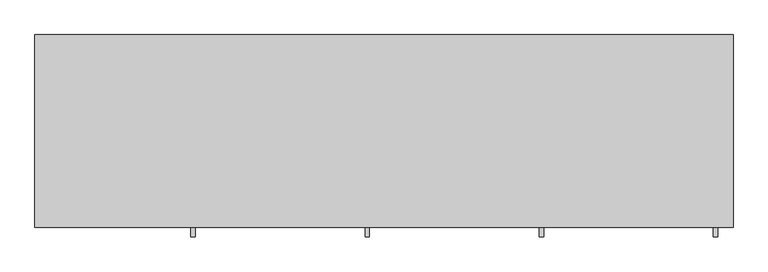
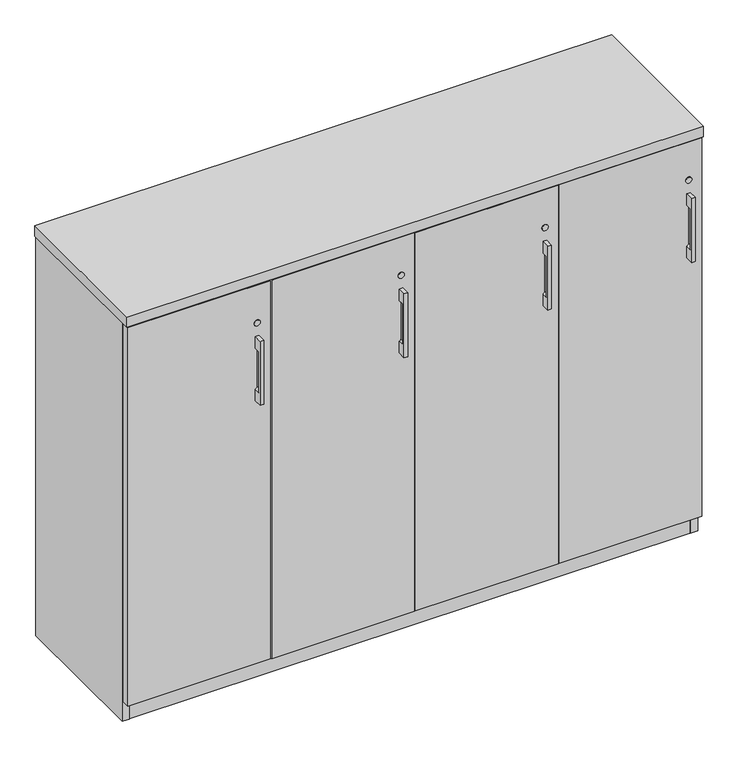
"""IFC4 building model written with IfcOpenShell, lengths in millimetres: furniture geometry."""

from ifc_helpers import new_model, si_unit, point, frame, frame_2d, origin, origin_with_axes, place, context, project, spatial, polyline, circle_curve, trimmed, segment, composite_curve, outline, extrude, source, transform, mapped, element, save
from ifc_brep_helpers import plane_surface, revolved_surface, advanced_brep


def furniture_4f5d98ee(model_context):
    return source(origin(), model_context, "Body", "SolidModel", [
        advanced_brep(
        [(338.9312421, -447.8115021, 970.9658), (338.9312421, -447.8115021, 793.1658), (348.4562421, -447.8115021, 793.1658), (348.4562421, -447.8115021, 970.9658), (338.9312421, -425.5865021, 970.9658), (348.4562421, -425.5865021, 970.9658), (348.4562421, -425.5865021, 793.1658), (338.9312421, -425.5865021, 793.1658), (338.9312421, -425.5865021, 825.1174389), (343.6937421, -425.5865021, 831.2658), (343.6937421, -425.5865021, 932.8658), (338.9312421, -425.5865021, 939.0141611), (338.9312421, -441.523499, 939.0141611), (338.9312421, -441.523499, 825.1174389), (343.6937421, -441.523499, 932.8658), (343.6937421, -441.523499, 831.2658)],
        [
            (0, 1),
            (1, 2),
            (2, 3),
            (3, 0),
            (4, 5),
            (5, 6),
            (6, 7),
            (7, 8),
            (8, 9, circle_curve(frame((337.3437421, -425.5865021, 831.2658), z_axis=(0.0, -1.0, 0.0), x_axis=(1.0, 0.0, 0.0)), 6.35)),
            (9, 10),
            (10, 11, circle_curve(frame((337.3437421, -425.5865021, 932.8658), z_axis=(0.0, -1.0, 0.0), x_axis=(1.0, 0.0, 0.0)), 6.35)),
            (11, 4),
            (0, 4),
            (11, 12),
            (12, 13),
            (13, 8),
            (7, 1),
            (6, 2),
            (5, 3),
            (14, 15),
            (15, 13, circle_curve(frame((337.3437421, -441.523499, 831.2658), z_axis=(0.0, 1.0, 0.0), x_axis=(1.0, 0.0, 0.0)), 6.35)),
            (12, 14, circle_curve(frame((337.3437421, -441.523499, 932.8658), z_axis=(0.0, 1.0, 0.0), x_axis=(1.0, 0.0, 0.0)), 6.35)),
            (14, 10),
            (9, 15),
        ],
        [
            plane_surface(frame((338.9312421, -447.8115021, 793.1658), z_axis=(0.0, -1.0, 0.0), x_axis=(0.0, 0.0, -1.0))),
            plane_surface(frame((338.9312421, -425.5865021, 793.1658), z_axis=(0.0, 1.0, 0.0), x_axis=(0.0, 0.0, 1.0))),
            plane_surface(frame((338.9312421, -447.8115021, 970.9658), z_axis=(-1.0, 0.0, 0.0), x_axis=(0.0, 1.0, 0.0))),
            plane_surface(frame((338.9312421, -447.8115021, 793.1658), z_axis=(0.0, 0.0, -1.0), x_axis=(0.0, 1.0, 0.0))),
            plane_surface(frame((348.4562421, -447.8115021, 793.1658), z_axis=(1.0, 0.0, 0.0), x_axis=(0.0, 1.0, 0.0))),
            plane_surface(frame((348.4562421, -447.8115021, 970.9658), z_axis=(0.0, 0.0, 1.0), x_axis=(0.0, 1.0, 0.0))),
            plane_surface(frame((324.6437421, -441.523499, 939.2158), z_axis=(0.0, 1.0, 0.0), x_axis=(-1.0, 0.0, 0.0))),
            plane_surface(frame((343.6937421, -441.523499, 831.2658), z_axis=(-1.0, 0.0, 0.0), x_axis=(0.0, 1.0, 0.0))),
            revolved_surface(polyline([(343.6937421, -441.523499, 831.2658), (343.6937421, -425.5865021, 831.2658)]), (337.3437421, -425.5865021, 831.2658), (0.0, -1.0, 0.0)),
            revolved_surface(polyline([(343.6937421, -441.523499, 932.8658), (343.6937421, -425.5865021, 932.8658)]), (337.3437421, -425.5865021, 932.8658), (0.0, -1.0, 0.0)),
        ],
        [
            (0, [[1, 2, 3, 4]]),
            (1, [[5, 6, 7, 8, 9, 10, 11, 12]]),
            (2, [[-1, 13, -12, 14, 15, 16, -8, 17]]),
            (3, [[-2, -17, -7, 18]]),
            (4, [[-3, -18, -6, 19]]),
            (5, [[-4, -19, -5, -13]]),
            (6, [[20, 21, -15, 22]]),
            (7, [[-20, 23, -10, 24]]),
            (8, [[-24, -9, -16, -21]]),
            (9, [[-23, -22, -14, -11]]),
        ],
    ),
        advanced_brep(
        [(1474.7875158, -447.8115021, 970.9658), (1474.7875158, -447.8115021, 793.1658), (1484.3125158, -447.8115021, 793.1658), (1484.3125158, -447.8115021, 970.9658), (1474.7875158, -425.5865021, 970.9658), (1484.3125158, -425.5865021, 970.9658), (1484.3125158, -425.5865021, 793.1658), (1474.7875158, -425.5865021, 793.1658), (1474.7875158, -425.5865021, 825.1174389), (1479.5500158, -425.5865021, 831.2658), (1479.5500158, -425.5865021, 932.8658), (1474.7875158, -425.5865021, 939.0141611), (1474.7875158, -441.523499, 939.0141611), (1474.7875158, -441.523499, 825.1174389), (1479.5500158, -441.523499, 932.8658), (1479.5500158, -441.523499, 831.2658)],
        [
            (0, 1),
            (1, 2),
            (2, 3),
            (3, 0),
            (4, 5),
            (5, 6),
            (6, 7),
            (7, 8),
            (8, 9, circle_curve(frame((1473.2000158, -425.5865021, 831.2658), z_axis=(0.0, -1.0, 0.0), x_axis=(1.0, 0.0, 0.0)), 6.35)),
            (9, 10),
            (10, 11, circle_curve(frame((1473.2000158, -425.5865021, 932.8658), z_axis=(0.0, -1.0, 0.0), x_axis=(1.0, 0.0, 0.0)), 6.35)),
            (11, 4),
            (0, 4),
            (11, 12),
            (12, 13),
            (13, 8),
            (7, 1),
            (6, 2),
            (5, 3),
            (14, 15),
            (15, 13, circle_curve(frame((1473.2000158, -441.523499, 831.2658), z_axis=(0.0, 1.0, 0.0), x_axis=(1.0, 0.0, 0.0)), 6.35)),
            (12, 14, circle_curve(frame((1473.2000158, -441.523499, 932.8658), z_axis=(0.0, 1.0, 0.0), x_axis=(1.0, 0.0, 0.0)), 6.35)),
            (14, 10),
            (9, 15),
        ],
        [
            plane_surface(frame((1474.7875158, -447.8115021, 793.1658), z_axis=(0.0, -1.0, 0.0), x_axis=(0.0, 0.0, -1.0))),
            plane_surface(frame((1474.7875158, -425.5865021, 793.1658), z_axis=(0.0, 1.0, 0.0), x_axis=(0.0, 0.0, 1.0))),
            plane_surface(frame((1474.7875158, -447.8115021, 970.9658), z_axis=(-1.0, 0.0, 0.0), x_axis=(0.0, 1.0, 0.0))),
            plane_surface(frame((1474.7875158, -447.8115021, 793.1658), z_axis=(0.0, 0.0, -1.0), x_axis=(0.0, 1.0, 0.0))),
            plane_surface(frame((1484.3125158, -447.8115021, 793.1658), z_axis=(1.0, 0.0, 0.0), x_axis=(0.0, 1.0, 0.0))),
            plane_surface(frame((1484.3125158, -447.8115021, 970.9658), z_axis=(0.0, 0.0, 1.0), x_axis=(0.0, 1.0, 0.0))),
            plane_surface(frame((1460.5000158, -441.523499, 939.2158), z_axis=(0.0, 1.0, 0.0), x_axis=(-1.0, 0.0, 0.0))),
            plane_surface(frame((1479.5500158, -441.523499, 831.2658), z_axis=(-1.0, 0.0, 0.0), x_axis=(0.0, 1.0, 0.0))),
            revolved_surface(polyline([(1479.5500158, -441.523499, 831.2658), (1479.5500158, -425.5865021, 831.2658)]), (1473.2000158, -425.5865021, 831.2658), (0.0, -1.0, 0.0)),
            revolved_surface(polyline([(1479.5500158, -441.523499, 932.8658), (1479.5500158, -425.5865021, 932.8658)]), (1473.2000158, -425.5865021, 932.8658), (0.0, -1.0, 0.0)),
        ],
        [
            (0, [[1, 2, 3, 4]]),
            (1, [[5, 6, 7, 8, 9, 10, 11, 12]]),
            (2, [[-1, 13, -12, 14, 15, 16, -8, 17]]),
            (3, [[-2, -17, -7, 18]]),
            (4, [[-3, -18, -6, 19]]),
            (5, [[-4, -19, -5, -13]]),
            (6, [[20, 21, -15, 22]]),
            (7, [[-20, 23, -10, 24]]),
            (8, [[-24, -9, -16, -21]]),
            (9, [[-23, -22, -14, -11]]),
        ],
    ),
        advanced_brep(
        [(1096.1687579, -447.8115021, 970.9658), (1096.1687579, -447.8115021, 793.1658), (1105.6937579, -447.8115021, 793.1658), (1105.6937579, -447.8115021, 970.9658), (1096.1687579, -425.5865021, 970.9658), (1105.6937579, -425.5865021, 970.9658), (1105.6937579, -425.5865021, 793.1658), (1096.1687579, -425.5865021, 793.1658), (1096.1687579, -425.5865021, 825.1174389), (1100.9312579, -425.5865021, 831.2658), (1100.9312579, -425.5865021, 932.8658), (1096.1687579, -425.5865021, 939.0141611), (1096.1687579, -441.523499, 939.0141611), (1096.1687579, -441.523499, 825.1174389), (1100.9312579, -441.523499, 932.8658), (1100.9312579, -441.523499, 831.2658)],
        [
            (0, 1),
            (1, 2),
            (2, 3),
            (3, 0),
            (4, 5),
            (5, 6),
            (6, 7),
            (7, 8),
            (8, 9, circle_curve(frame((1094.5812579, -425.5865021, 831.2658), z_axis=(0.0, -1.0, 0.0), x_axis=(1.0, 0.0, 0.0)), 6.35)),
            (9, 10),
            (10, 11, circle_curve(frame((1094.5812579, -425.5865021, 932.8658), z_axis=(0.0, -1.0, 0.0), x_axis=(1.0, 0.0, 0.0)), 6.35)),
            (11, 4),
            (0, 4),
            (11, 12),
            (12, 13),
            (13, 8),
            (7, 1),
            (6, 2),
            (5, 3),
            (14, 15),
            (15, 13, circle_curve(frame((1094.5812579, -441.523499, 831.2658), z_axis=(0.0, 1.0, 0.0), x_axis=(1.0, 0.0, 0.0)), 6.35)),
            (12, 14, circle_curve(frame((1094.5812579, -441.523499, 932.8658), z_axis=(0.0, 1.0, 0.0), x_axis=(1.0, 0.0, 0.0)), 6.35)),
            (14, 10),
            (9, 15),
        ],
        [
            plane_surface(frame((1096.1687579, -447.8115021, 793.1658), z_axis=(0.0, -1.0, 0.0), x_axis=(0.0, 0.0, -1.0))),
            plane_surface(frame((1096.1687579, -425.5865021, 793.1658), z_axis=(0.0, 1.0, 0.0), x_axis=(0.0, 0.0, 1.0))),
            plane_surface(frame((1096.1687579, -447.8115021, 970.9658), z_axis=(-1.0, 0.0, 0.0), x_axis=(0.0, 1.0, 0.0))),
            plane_surface(frame((1096.1687579, -447.8115021, 793.1658), z_axis=(0.0, 0.0, -1.0), x_axis=(0.0, 1.0, 0.0))),
            plane_surface(frame((1105.6937579, -447.8115021, 793.1658), z_axis=(1.0, 0.0, 0.0), x_axis=(0.0, 1.0, 0.0))),
            plane_surface(frame((1105.6937579, -447.8115021, 970.9658), z_axis=(0.0, 0.0, 1.0), x_axis=(0.0, 1.0, 0.0))),
            plane_surface(frame((1081.8812579, -441.523499, 939.2158), z_axis=(0.0, 1.0, 0.0), x_axis=(-1.0, 0.0, 0.0))),
            plane_surface(frame((1100.9312579, -441.523499, 831.2658), z_axis=(-1.0, 0.0, 0.0), x_axis=(0.0, 1.0, 0.0))),
            revolved_surface(polyline([(1100.9312579, -441.523499, 831.2658), (1100.9312579, -425.5865021, 831.2658)]), (1094.5812579, -425.5865021, 831.2658), (0.0, -1.0, 0.0)),
            revolved_surface(polyline([(1100.9312579, -441.523499, 932.8658), (1100.9312579, -425.5865021, 932.8658)]), (1094.5812579, -425.5865021, 932.8658), (0.0, -1.0, 0.0)),
        ],
        [
            (0, [[1, 2, 3, 4]]),
            (1, [[5, 6, 7, 8, 9, 10, 11, 12]]),
            (2, [[-1, 13, -12, 14, 15, 16, -8, 17]]),
            (3, [[-2, -17, -7, 18]]),
            (4, [[-3, -18, -6, 19]]),
            (5, [[-4, -19, -5, -13]]),
            (6, [[20, 21, -15, 22]]),
            (7, [[-20, 23, -10, 24]]),
            (8, [[-24, -9, -16, -21]]),
            (9, [[-23, -22, -14, -11]]),
        ],
    ),
        advanced_brep(
        [(717.55, -447.8115021, 970.9658), (717.55, -447.8115021, 793.1658), (727.075, -447.8115021, 793.1658), (727.075, -447.8115021, 970.9658), (717.55, -425.5865021, 970.9658), (727.075, -425.5865021, 970.9658), (727.075, -425.5865021, 793.1658), (717.55, -425.5865021, 793.1658), (717.55, -425.5865021, 825.1174389), (722.3125, -425.5865021, 831.2658), (722.3125, -425.5865021, 932.8658), (717.55, -425.5865021, 939.0141611), (717.55, -441.523499, 939.0141611), (717.55, -441.523499, 825.1174389), (722.3125, -441.523499, 932.8658), (722.3125, -441.523499, 831.2658)],
        [
            (0, 1),
            (1, 2),
            (2, 3),
            (3, 0),
            (4, 5),
            (5, 6),
            (6, 7),
            (7, 8),
            (8, 9, circle_curve(frame((715.9625, -425.5865021, 831.2658), z_axis=(0.0, -1.0, 0.0), x_axis=(1.0, 0.0, 0.0)), 6.35)),
            (9, 10),
            (10, 11, circle_curve(frame((715.9625, -425.5865021, 932.8658), z_axis=(0.0, -1.0, 0.0), x_axis=(1.0, 0.0, 0.0)), 6.35)),
            (11, 4),
            (0, 4),
            (11, 12),
            (12, 13),
            (13, 8),
            (7, 1),
            (6, 2),
            (5, 3),
            (14, 15),
            (15, 13, circle_curve(frame((715.9625, -441.523499, 831.2658), z_axis=(0.0, 1.0, 0.0), x_axis=(1.0, 0.0, 0.0)), 6.35)),
            (12, 14, circle_curve(frame((715.9625, -441.523499, 932.8658), z_axis=(0.0, 1.0, 0.0), x_axis=(1.0, 0.0, 0.0)), 6.35)),
            (14, 10),
            (9, 15),
        ],
        [
            plane_surface(frame((717.55, -447.8115021, 793.1658), z_axis=(0.0, -1.0, 0.0), x_axis=(0.0, 0.0, -1.0))),
            plane_surface(frame((717.55, -425.5865021, 793.1658), z_axis=(0.0, 1.0, 0.0), x_axis=(0.0, 0.0, 1.0))),
            plane_surface(frame((717.55, -447.8115021, 970.9658), z_axis=(-1.0, 0.0, 0.0), x_axis=(0.0, 1.0, 0.0))),
            plane_surface(frame((717.55, -447.8115021, 793.1658), z_axis=(0.0, 0.0, -1.0), x_axis=(0.0, 1.0, 0.0))),
            plane_surface(frame((727.075, -447.8115021, 793.1658), z_axis=(1.0, 0.0, 0.0), x_axis=(0.0, 1.0, 0.0))),
            plane_surface(frame((727.075, -447.8115021, 970.9658), z_axis=(0.0, 0.0, 1.0), x_axis=(0.0, 1.0, 0.0))),
            plane_surface(frame((703.2625, -441.523499, 939.2158), z_axis=(0.0, 1.0, 0.0), x_axis=(-1.0, 0.0, 0.0))),
            plane_surface(frame((722.3125, -441.523499, 831.2658), z_axis=(-1.0, 0.0, 0.0), x_axis=(0.0, 1.0, 0.0))),
            revolved_surface(polyline([(722.3125, -441.523499, 831.2658), (722.3125, -425.5865021, 831.2658)]), (715.9625, -425.5865021, 831.2658), (0.0, -1.0, 0.0)),
            revolved_surface(polyline([(722.3125, -441.523499, 932.8658), (722.3125, -425.5865021, 932.8658)]), (715.9625, -425.5865021, 932.8658), (0.0, -1.0, 0.0)),
        ],
        [
            (0, [[1, 2, 3, 4]]),
            (1, [[5, 6, 7, 8, 9, 10, 11, 12]]),
            (2, [[-1, 13, -12, 14, 15, 16, -8, 17]]),
            (3, [[-2, -17, -7, 18]]),
            (4, [[-3, -18, -6, 19]]),
            (5, [[-4, -19, -5, -13]]),
            (6, [[20, 21, -15, 22]]),
            (7, [[-20, 23, -10, 24]]),
            (8, [[-24, -9, -16, -21]]),
            (9, [[-23, -22, -14, -11]]),
        ],
    ),
        extrude(outline(polyline([(1455.3192181, -345.6312472), (1471.2670759, -336.4237472), (1487.2149337, -345.6312472), (1487.2149337, -364.0462472), (1471.2670759, -373.2537472), (1455.3192181, -364.0462472), (1455.3192181, -345.6312472)])), origin_with_axes(), (0.0, 0.0, 1.0), 9.144),
        extrude(outline(polyline([(1455.3192181, -47.1181713), (1471.2670759, -37.9106713), (1487.2149337, -47.1181713), (1487.2149337, -65.5331713), (1471.2670759, -74.7406713), (1455.3192181, -65.5331713), (1455.3192181, -47.1181713)])), origin_with_axes(), (0.0, 0.0, 1.0), 9.144),
        extrude(outline(polyline([(30.4350663, -345.6312472), (46.3829241, -336.4237472), (62.3307819, -345.6312472), (62.3307819, -364.0462472), (46.3829241, -373.2537472), (30.4350663, -364.0462472), (30.4350663, -345.6312472)])), origin_with_axes(), (0.0, 0.0, 1.0), 9.144),
        extrude(outline(polyline([(30.4350663, -47.1181713), (46.3829241, -37.9106713), (62.3307819, -47.1181713), (62.3307819, -65.5331713), (46.3829241, -74.7406713), (30.4350663, -65.5331713), (30.4350663, -47.1181713)])), origin_with_axes(), (0.0, 0.0, 1.0), 9.144),
        extrude(outline(polyline([(739.5210079, -30.4938704), (758.8250079, -30.4938704), (758.8250079, -401.5835036), (739.5210079, -401.5835036), (739.5210079, -30.4938704)])), frame((0.0, 0.0, 79.57058), z_axis=(0.0, 0.0, 1.0), x_axis=(1.0, 0.0, 0.0)), (0.0, 0.0, 1.0), 1036.68322),
        extrude(outline(polyline([(1118.1397579, -30.4938704), (1137.4437579, -30.4938704), (1137.4437579, -401.5835036), (1118.1397579, -401.5835036), (1118.1397579, -30.4938704)])), frame((0.0, 0.0, 79.57058), z_axis=(0.0, 0.0, 1.0), x_axis=(1.0, 0.0, 0.0)), (0.0, 0.0, 1.0), 1036.68322),
        extrude(outline(polyline([(380.2062421, -30.4938704), (380.2062421, -401.5835036), (360.9022421, -401.5835036), (360.9022421, -30.4938704), (380.2062421, -30.4938704)])), frame((0.0, 0.0, 79.57058), z_axis=(0.0, 0.0, 1.0), x_axis=(1.0, 0.0, 0.0)), (0.0, 0.0, 1.0), 1036.68322),
        extrude(outline(polyline([(1496.7585154, -11.1898712), (1496.7585154, -30.4938704), (20.8915005, -30.4938704), (20.8915005, -11.1898712), (1496.7585154, -11.1898712)])), frame((0.0, 0.0, 4.699), z_axis=(0.0, 0.0, 1.0), x_axis=(1.0, 0.0, 0.0)), (0.0, 0.0, 1.0), 1111.5548),
        extrude(outline(polyline([(20.8915005, -9.6658713), (20.8915005, -403.1075021), (1.5874842, -403.1075021), (1.5874842, -9.6658713), (20.8915005, -9.6658713)])), frame((0.0, 0.0, 4.699), z_axis=(0.0, 0.0, 1.0), x_axis=(1.0, 0.0, 0.0)), (0.0, 0.0, 1.0), 1111.5548),
        extrude(outline(polyline([(1496.7585154, -9.6658713), (1516.0625158, -9.6658713), (1516.0625158, -403.1075021), (1496.7585154, -403.1075021), (1496.7585154, -9.6658713)])), frame((0.0, 0.0, 4.699), z_axis=(0.0, 0.0, 1.0), x_axis=(1.0, 0.0, 0.0)), (0.0, 0.0, 1.0), 1111.5548),
        extrude(outline(polyline([(778.1290079, -30.4938704), (778.1290079, -401.5835036), (758.8250079, -401.5835036), (758.8250079, -30.4938704), (778.1290079, -30.4938704)])), frame((0.0, 0.0, 79.57058), z_axis=(0.0, 0.0, 1.0), x_axis=(1.0, 0.0, 0.0)), (0.0, 0.0, 1.0), 1036.68322),
        extrude(outline(polyline([(380.2062421, -30.4938704), (399.5102421, -30.4938704), (399.5102421, -401.5835036), (380.2062421, -401.5835036), (380.2062421, -30.4938704)])), frame((0.0, 0.0, 79.57058), z_axis=(0.0, 0.0, 1.0), x_axis=(1.0, 0.0, 0.0)), (0.0, 0.0, 1.0), 1036.68322),
        extrude(outline(polyline([(1156.7477579, -30.4938704), (1156.7477579, -401.5835036), (1137.4437579, -401.5835036), (1137.4437579, -30.4938704), (1156.7477579, -30.4938704)])), frame((0.0, 0.0, 79.57058), z_axis=(0.0, 0.0, 1.0), x_axis=(1.0, 0.0, 0.0)), (0.0, 0.0, 1.0), 1036.68322),
        extrude(outline(polyline([(1496.7585154, -30.4938704), (1496.7585154, -402.7264934), (20.8915005, -402.7264934), (20.8915005, -30.4938704), (1496.7585154, -30.4938704)])), frame((0.0, 0.0, 1096.9498), z_axis=(0.0, 0.0, 1.0), x_axis=(1.0, 0.0, 0.0)), (0.0, 0.0, 1.0), 19.304),
        extrude(outline(polyline([(1517.65, -8.0783713), (1517.65, -427.1783713), (0.0, -427.1783713), (0.0, -8.0783713), (1517.65, -8.0783713)])), frame((0.0, 0.0, 1116.2538031), z_axis=(0.0, 0.0, 1.0), x_axis=(1.0, 0.0, 0.0)), (0.0, 0.0, 1.0), 28.5749969),
        extrude(outline(polyline([(1496.7585154, -30.4938704), (1496.7585154, -402.7264934), (20.8915005, -402.7264934), (20.8915005, -30.4938704), (1496.7585154, -30.4938704)])), frame((0.0, 0.0, 60.26658), z_axis=(0.0, 0.0, 1.0), x_axis=(1.0, 0.0, 0.0)), (0.0, 0.0, 1.0), 19.304),
        extrude(outline(polyline([(1496.7585154, -401.5835036), (20.8915005, -401.5835036), (20.8915005, -382.2795036), (1496.7585154, -382.2795036), (1496.7585154, -401.5835036)])), frame((0.0, 0.0, 4.699), z_axis=(0.0, 0.0, 1.0), x_axis=(1.0, 0.0, 0.0)), (0.0, 0.0, 1.0), 55.56758),
        extrude(outline(composite_curve([segment(trimmed(circle_curve(frame_2d((1008.3038, 343.6937421)), 8.001), [point((1008.3038, 335.6927421))], [point((1008.3038, 351.6947421))], False, "CARTESIAN"), True, "CONTINUOUS"), segment(trimmed(circle_curve(frame_2d((1008.3038, 343.6937421)), 8.001), [point((1008.3038, 351.6947421))], [point((1008.3038, 335.6927421))], False, "CARTESIAN"), True, "CONTINUOUS")], self_intersect=False)), frame((0.0, -427.1783713, 0.0), z_axis=(0.0, 1.0, 0.0), x_axis=(0.0, 0.0, 1.0)), (0.0, 0.0, 1.0), 1.5918692),
        extrude(outline(composite_curve([segment(trimmed(circle_curve(frame_2d((1008.3038, 722.3125)), 8.001), [point((1008.3038, 714.3115))], [point((1008.3038, 730.3135))], False, "CARTESIAN"), True, "CONTINUOUS"), segment(trimmed(circle_curve(frame_2d((1008.3038, 722.3125)), 8.001), [point((1008.3038, 730.3135))], [point((1008.3038, 714.3115))], False, "CARTESIAN"), True, "CONTINUOUS")], self_intersect=False)), frame((0.0, -427.1783713, 0.0), z_axis=(0.0, 1.0, 0.0), x_axis=(0.0, 0.0, 1.0)), (0.0, 0.0, 1.0), 1.5918692),
        extrude(outline(composite_curve([segment(trimmed(circle_curve(frame_2d((1008.3038, 1100.9312579)), 8.001), [point((1008.3038, 1092.9302579))], [point((1008.3038, 1108.9322579))], False, "CARTESIAN"), True, "CONTINUOUS"), segment(trimmed(circle_curve(frame_2d((1008.3038, 1100.9312579)), 8.001), [point((1008.3038, 1108.9322579))], [point((1008.3038, 1092.9302579))], False, "CARTESIAN"), True, "CONTINUOUS")], self_intersect=False)), frame((0.0, -427.1783713, 0.0), z_axis=(0.0, 1.0, 0.0), x_axis=(0.0, 0.0, 1.0)), (0.0, 0.0, 1.0), 1.5918692),
        extrude(outline(composite_curve([segment(trimmed(circle_curve(frame_2d((1008.3038, 1479.5500158)), 8.001), [point((1008.3038, 1471.5490158))], [point((1008.3038, 1487.5510158))], False, "CARTESIAN"), True, "CONTINUOUS"), segment(trimmed(circle_curve(frame_2d((1008.3038, 1479.5500158)), 8.001), [point((1008.3038, 1487.5510158))], [point((1008.3038, 1471.5490158))], False, "CARTESIAN"), True, "CONTINUOUS")], self_intersect=False)), frame((0.0, -427.1783713, 0.0), z_axis=(0.0, 1.0, 0.0), x_axis=(0.0, 0.0, 1.0)), (0.0, 0.0, 1.0), 1.5918692),
        extrude(outline(polyline([(378.6187421, -425.5865021), (3.175, -425.5865021), (3.175, -406.2825021), (378.6187421, -406.2825021), (378.6187421, -425.5865021)])), frame((0.0, 0.0, 60.26658), z_axis=(0.0, 0.0, 1.0), x_axis=(1.0, 0.0, 0.0)), (0.0, 0.0, 1.0), 1052.8122352),
        extrude(outline(polyline([(757.2375, -425.5865021), (381.7937421, -425.5865021), (381.7937421, -406.2825021), (757.2375, -406.2825021), (757.2375, -425.5865021)])), frame((0.0, 0.0, 60.26658), z_axis=(0.0, 0.0, 1.0), x_axis=(1.0, 0.0, 0.0)), (0.0, 0.0, 1.0), 1052.8122352),
        extrude(outline(polyline([(1135.8562579, -425.5865021), (760.4125, -425.5865021), (760.4125, -406.2825021), (1135.8562579, -406.2825021), (1135.8562579, -425.5865021)])), frame((0.0, 0.0, 60.26658), z_axis=(0.0, 0.0, 1.0), x_axis=(1.0, 0.0, 0.0)), (0.0, 0.0, 1.0), 1052.8122352),
        extrude(outline(polyline([(1514.4750158, -425.5865021), (1139.0312579, -425.5865021), (1139.0312579, -406.2825021), (1514.4750158, -406.2825021), (1514.4750158, -425.5865021)])), frame((0.0, 0.0, 60.26658), z_axis=(0.0, 0.0, 1.0), x_axis=(1.0, 0.0, 0.0)), (0.0, 0.0, 1.0), 1052.8122352),
    ])


if __name__ == "__main__":
    model = new_model("IFC4")
    model_context = context("Model", 3, world=origin())
    ifc_project = project(units=[si_unit("LENGTHUNIT", "METRE", prefix="MILLI")], contexts=[model_context])
    site = spatial("IfcSite", under=ifc_project)
    building = spatial("IfcBuilding", under=site)
    placement = place(None, origin())
    furniture_shape = furniture_4f5d98ee(model_context)
    element("IfcFurniture", 1, at=placement, inside=building, context=model_context, shape_type="MappedRepresentation", body=[
        mapped(furniture_shape, transform((0.0, 0.0, 0.0), x_axis=(1.0, 0.0, 0.0), y_axis=(0.0, 1.0, 0.0), z_axis=(0.0, 0.0, 1.0))),
    ])
    save(model, "model.ifc")
